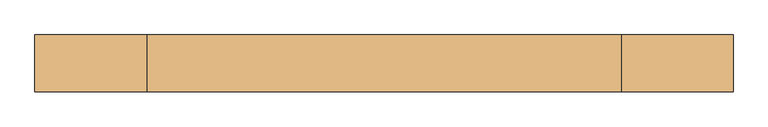
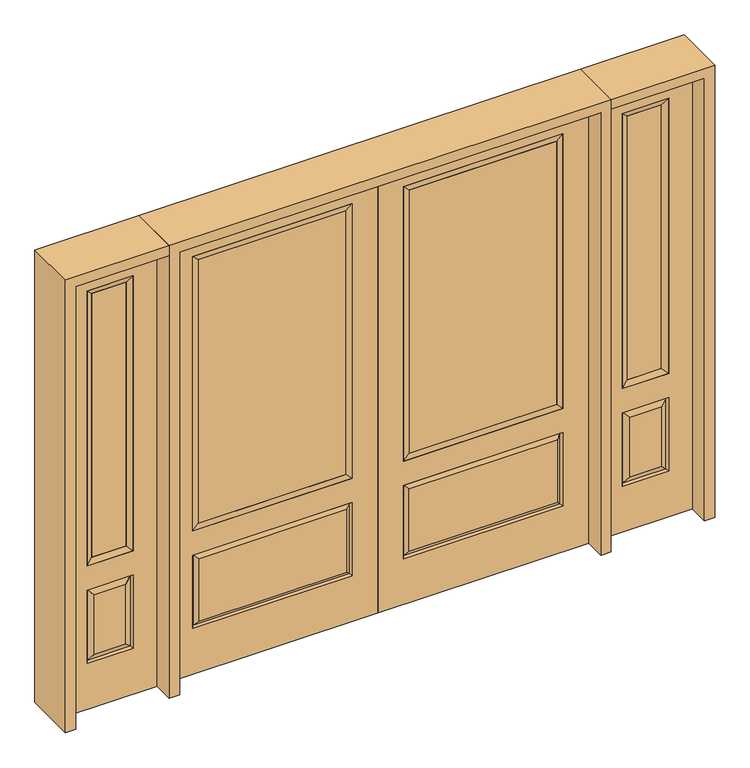
"""IFC4 building model written with IfcOpenShell, lengths in millimetres: door geometry."""

from ifc_helpers import new_model, si_unit, frame, origin, place, context, project, spatial, polyline, outline, extrude, faceted_brep, source, transform, mapped, element, save


def door_95db5420(model_context):
    return source(origin(), model_context, "Body", "SolidModel", [
        faceted_brep([(796.1661499, -12.7912373, 216.6588501), (778.66875, -22.225, 234.15625), (135.73125, -22.225, 234.15625), (118.2338501, -12.7912373, 216.6588501), (111.125, -22.225, 209.55), (803.275, -22.225, 209.55), (803.275, -22.225, 546.1), (796.1661499, -12.7912373, 538.9911499), (0.0, -22.225, 2032.0), (0.0, -22.225, 0.0), (914.4, -22.225, 0.0), (914.4, -22.225, 2032.0), (111.125, -22.225, 546.1), (111.125, -22.225, 1917.7), (803.275, -22.225, 1917.7), (803.275, -22.225, 657.098), (111.125, -22.225, 657.098), (778.66875, -22.225, 521.49375), (135.73125, -22.225, 521.49375), (118.2338501, -12.7912373, 538.9911499), (914.4, 22.225, 0.0), (914.4, 22.225, 2032.0), (0.0, 22.225, 0.0), (0.0, 22.225, 2032.0), (111.125, 22.225, 657.098), (111.125, 22.225, 1917.7), (803.275, 22.225, 657.098), (803.275, 22.225, 1917.7), (135.73125, 22.225, 234.15625), (135.73125, 22.225, 521.49375), (778.66875, 22.225, 521.49375), (778.66875, 22.225, 234.15625), (803.275, 22.225, 209.55), (803.275, 22.225, 546.1), (111.125, 22.225, 546.1), (111.125, 22.225, 209.55), (118.2338501, 12.7912373, 216.6588501), (796.1661499, 12.7912373, 216.6588501), (118.2338501, 12.7912373, 538.9911499), (796.1661499, 12.7912373, 538.9911499)], [[[0, 1, 2, 3]], [[3, 4, 5, 0]], [[5, 6, 7, 0]], [[8, 9, 10, 11], [4, 12, 6, 5], [13, 14, 15, 16]], [[1, 17, 18, 2]], [[3, 19, 12, 4]], [[2, 18, 19, 3]], [[0, 7, 17, 1]], [[6, 12, 19, 7]], [[7, 19, 18, 17]], [[10, 20, 21, 11]], [[9, 22, 20, 10]], [[8, 23, 22, 9]], [[16, 24, 25, 13]], [[15, 26, 24, 16]], [[14, 27, 26, 15]], [[28, 29, 30, 31]], [[23, 21, 20, 22], [25, 24, 26, 27], [32, 33, 34, 35]], [[32, 35, 36, 37]], [[35, 34, 38, 36]], [[39, 38, 34, 33]], [[37, 39, 33, 32]], [[36, 28, 31, 37]], [[31, 30, 39, 37]], [[30, 29, 38, 39]], [[36, 38, 29, 28]], [[11, 21, 23, 8]], [[13, 25, 27, 14]]]),
        faceted_brep([(803.275, -22.225, 1917.7), (803.275, -22.225, 657.098), (803.275, 22.225, 657.098), (803.275, 22.225, 1917.7), (111.125, -22.225, 657.098), (111.125, 22.225, 657.098), (136.525, 5.08, 682.498), (777.875, 5.08, 682.498), (111.125, -22.225, 1917.7), (111.125, 22.225, 1917.7), (777.875, -20.32, 682.498), (136.525, -20.32, 682.498), (777.875, -20.32, 1892.3), (136.525, -20.32, 1892.3), (777.875, 5.08, 1892.3), (136.525, 5.08, 1892.3)], [[[0, 1, 2, 3]], [[1, 4, 5, 2]], [[2, 5, 6, 7]], [[4, 8, 9, 5]], [[10, 11, 4, 1]], [[12, 10, 1, 0]], [[11, 13, 8, 4]], [[7, 6, 11, 10]], [[14, 7, 10, 12]], [[6, 15, 13, 11]], [[3, 2, 7, 14]], [[5, 9, 15, 6]], [[8, 0, 3, 9]], [[13, 12, 0, 8]], [[15, 14, 12, 13]], [[9, 3, 14, 15]]]),
        extrude(outline(polyline([(136.525, -20.32), (136.525, 5.08), (777.875, 5.08), (777.875, -20.32), (136.525, -20.32)])), frame((0.0, 0.0, 682.498), z_axis=(0.0, 0.0, 1.0), x_axis=(1.0, 0.0, 0.0)), (0.0, 0.0, 1.0), 1209.802),
        faceted_brep([(958.85, -22.225, 0.0), (1365.25, -22.225, 0.0), (1365.25, -22.225, 2032.0), (958.85, -22.225, 2032.0), (1262.38, -22.225, 1919.224), (1262.38, -22.225, 657.098), (1061.72, -22.225, 657.098), (1061.72, -22.225, 1919.224), (1262.38, -22.225, 209.55), (1061.72, -22.225, 209.55), (1061.72, -22.225, 546.1), (1262.38, -22.225, 546.1), (1093.4351001, -22.225, 241.2651001), (1230.6648999, -22.225, 241.2651001), (1230.6648999, -22.225, 514.3848999), (1093.4351001, -22.225, 514.3848999), (958.85, 22.225, 0.0), (958.85, 22.225, 2032.0), (1365.25, 22.225, 2032.0), (1365.25, 22.225, 0.0), (1262.38, 22.225, 1919.224), (1061.72, 22.225, 1919.224), (1061.72, 22.225, 657.098), (1262.38, 22.225, 657.098), (1061.72, 22.225, 209.55), (1262.38, 22.225, 209.55), (1262.38, 22.225, 546.1), (1061.72, 22.225, 546.1), (1230.6648999, 22.225, 241.2651001), (1093.4351001, 22.225, 241.2651001), (1093.4351001, 22.225, 514.3848999), (1230.6648999, 22.225, 514.3848999), (1255.2711499, 12.7912373, 216.6588501), (1068.8288501, 12.7912373, 216.6588501), (1068.8288501, 12.7912373, 538.9911499), (1255.2711499, 12.7912373, 538.9911499), (1068.8288501, -12.7912373, 216.6588501), (1255.2711499, -12.7912373, 216.6588501), (1068.8288501, -12.7912373, 538.9911499), (1255.2711499, -12.7912373, 538.9911499)], [[[0, 1, 2, 3], [4, 5, 6, 7], [8, 9, 10, 11]], [[12, 13, 14, 15]], [[16, 17, 18, 19], [20, 21, 22, 23], [24, 25, 26, 27]], [[28, 29, 30, 31]], [[1, 0, 16, 19]], [[2, 1, 19, 18]], [[3, 2, 18, 17]], [[0, 3, 17, 16]], [[5, 4, 20, 23]], [[6, 5, 23, 22]], [[7, 6, 22, 21]], [[4, 7, 21, 20]], [[32, 33, 29, 28]], [[33, 32, 25, 24]], [[29, 33, 34, 30]], [[33, 24, 27, 34]], [[30, 34, 35, 31]], [[34, 27, 26, 35]], [[32, 28, 31, 35]], [[25, 32, 35, 26]], [[12, 36, 37, 13]], [[37, 36, 9, 8]], [[36, 12, 15, 38]], [[9, 36, 38, 10]], [[38, 15, 14, 39]], [[10, 38, 39, 11]], [[13, 37, 39, 14]], [[37, 8, 11, 39]]]),
        faceted_brep([(1061.72, 22.225, 1919.224), (1061.72, -22.225, 1919.224), (1262.38, -22.225, 1919.224), (1262.38, 22.225, 1919.224), (1087.12, 12.7, 1893.824), (1236.98, 12.7, 1893.824), (1087.12, -12.7, 1893.824), (1236.98, -12.7, 1893.824), (1262.38, -22.225, 657.098), (1262.38, 22.225, 657.098), (1236.98, 12.7, 682.498), (1236.98, -12.7, 682.498), (1061.72, -22.225, 657.098), (1061.72, 22.225, 657.098), (1087.12, 12.7, 682.498), (1087.12, -12.7, 682.498)], [[[0, 1, 2, 3]], [[4, 0, 3, 5]], [[6, 4, 5, 7]], [[1, 6, 7, 2]], [[3, 2, 8, 9]], [[5, 3, 9, 10]], [[7, 5, 10, 11]], [[2, 7, 11, 8]], [[9, 8, 12, 13]], [[10, 9, 13, 14]], [[11, 10, 14, 15]], [[8, 11, 15, 12]], [[13, 12, 1, 0]], [[14, 13, 0, 4]], [[15, 14, 4, 6]], [[12, 15, 6, 1]]]),
        extrude(outline(polyline([(1236.98, -12.7), (1087.12, -12.7), (1087.12, 12.7), (1236.98, 12.7), (1236.98, -12.7)])), frame((0.0, 0.0, 682.498), z_axis=(0.0, 0.0, 1.0), x_axis=(1.0, 0.0, 0.0)), (0.0, 0.0, 1.0), 1211.326),
        faceted_brep([(-1365.25, -22.225, 0.0), (-958.85, -22.225, 0.0), (-958.85, -22.225, 2032.0), (-1365.25, -22.225, 2032.0), (-1061.72, -22.225, 1919.224), (-1061.72, -22.225, 657.098), (-1262.38, -22.225, 657.098), (-1262.38, -22.225, 1919.224), (-1061.72, -22.225, 209.55), (-1262.38, -22.225, 209.55), (-1262.38, -22.225, 546.1), (-1061.72, -22.225, 546.1), (-1230.6648999, -22.225, 241.2651001), (-1093.4351001, -22.225, 241.2651001), (-1093.4351001, -22.225, 514.3848999), (-1230.6648999, -22.225, 514.3848999), (-1365.25, 22.225, 0.0), (-1365.25, 22.225, 2032.0), (-958.85, 22.225, 2032.0), (-958.85, 22.225, 0.0), (-1061.72, 22.225, 1919.224), (-1262.38, 22.225, 1919.224), (-1262.38, 22.225, 657.098), (-1061.72, 22.225, 657.098), (-1262.38, 22.225, 209.55), (-1061.72, 22.225, 209.55), (-1061.72, 22.225, 546.1), (-1262.38, 22.225, 546.1), (-1093.4351001, 22.225, 241.2651001), (-1230.6648999, 22.225, 241.2651001), (-1230.6648999, 22.225, 514.3848999), (-1093.4351001, 22.225, 514.3848999), (-1068.8288501, 12.7912373, 216.6588501), (-1255.2711499, 12.7912373, 216.6588501), (-1255.2711499, 12.7912373, 538.9911499), (-1068.8288501, 12.7912373, 538.9911499), (-1255.2711499, -12.7912373, 216.6588501), (-1068.8288501, -12.7912373, 216.6588501), (-1255.2711499, -12.7912373, 538.9911499), (-1068.8288501, -12.7912373, 538.9911499)], [[[0, 1, 2, 3], [4, 5, 6, 7], [8, 9, 10, 11]], [[12, 13, 14, 15]], [[16, 17, 18, 19], [20, 21, 22, 23], [24, 25, 26, 27]], [[28, 29, 30, 31]], [[1, 0, 16, 19]], [[2, 1, 19, 18]], [[3, 2, 18, 17]], [[0, 3, 17, 16]], [[5, 4, 20, 23]], [[6, 5, 23, 22]], [[7, 6, 22, 21]], [[4, 7, 21, 20]], [[32, 33, 29, 28]], [[33, 32, 25, 24]], [[29, 33, 34, 30]], [[33, 24, 27, 34]], [[30, 34, 35, 31]], [[34, 27, 26, 35]], [[32, 28, 31, 35]], [[25, 32, 35, 26]], [[12, 36, 37, 13]], [[37, 36, 9, 8]], [[36, 12, 15, 38]], [[9, 36, 38, 10]], [[38, 15, 14, 39]], [[10, 38, 39, 11]], [[13, 37, 39, 14]], [[37, 8, 11, 39]]]),
        faceted_brep([(-1262.38, 22.225, 1919.224), (-1262.38, -22.225, 1919.224), (-1061.72, -22.225, 1919.224), (-1061.72, 22.225, 1919.224), (-1236.98, 12.7, 1893.824), (-1087.12, 12.7, 1893.824), (-1236.98, -12.7, 1893.824), (-1087.12, -12.7, 1893.824), (-1061.72, -22.225, 657.098), (-1061.72, 22.225, 657.098), (-1087.12, 12.7, 682.498), (-1087.12, -12.7, 682.498), (-1262.38, -22.225, 657.098), (-1262.38, 22.225, 657.098), (-1236.98, 12.7, 682.498), (-1236.98, -12.7, 682.498)], [[[0, 1, 2, 3]], [[4, 0, 3, 5]], [[6, 4, 5, 7]], [[1, 6, 7, 2]], [[3, 2, 8, 9]], [[5, 3, 9, 10]], [[7, 5, 10, 11]], [[2, 7, 11, 8]], [[9, 8, 12, 13]], [[10, 9, 13, 14]], [[11, 10, 14, 15]], [[8, 11, 15, 12]], [[13, 12, 1, 0]], [[14, 13, 0, 4]], [[15, 14, 4, 6]], [[12, 15, 6, 1]]]),
        extrude(outline(polyline([(-1087.12, -12.7), (-1236.98, -12.7), (-1236.98, 12.7), (-1087.12, 12.7), (-1087.12, -12.7)])), frame((0.0, 0.0, 682.498), z_axis=(0.0, 0.0, 1.0), x_axis=(1.0, 0.0, 0.0)), (0.0, 0.0, 1.0), 1211.326),
        faceted_brep([(-796.1661499, -12.7912373, 216.6588501), (-118.2338501, -12.7912373, 216.6588501), (-135.73125, -22.225, 234.15625), (-778.66875, -22.225, 234.15625), (-803.275, -22.225, 209.55), (-111.125, -22.225, 209.55), (-796.1661499, -12.7912373, 538.9911499), (-803.275, -22.225, 546.1), (-135.73125, -22.225, 521.49375), (-778.66875, -22.225, 521.49375), (0.0, -22.225, 2032.0), (-914.4, -22.225, 2032.0), (-914.4, -22.225, 0.0), (0.0, -22.225, 0.0), (-111.125, -22.225, 546.1), (-111.125, -22.225, 1917.7), (-111.125, -22.225, 657.098), (-803.275, -22.225, 657.098), (-803.275, -22.225, 1917.7), (-118.2338501, -12.7912373, 538.9911499), (-914.4, 22.225, 2032.0), (-914.4, 22.225, 0.0), (0.0, 22.225, 0.0), (0.0, 22.225, 2032.0), (-111.125, 22.225, 1917.7), (-111.125, 22.225, 657.098), (-803.275, 22.225, 657.098), (-803.275, 22.225, 1917.7), (-803.275, 22.225, 209.55), (-111.125, 22.225, 209.55), (-111.125, 22.225, 546.1), (-803.275, 22.225, 546.1), (-135.73125, 22.225, 234.15625), (-778.66875, 22.225, 234.15625), (-778.66875, 22.225, 521.49375), (-135.73125, 22.225, 521.49375), (-796.1661499, 12.7912373, 216.6588501), (-118.2338501, 12.7912373, 216.6588501), (-118.2338501, 12.7912373, 538.9911499), (-796.1661499, 12.7912373, 538.9911499)], [[[0, 1, 2, 3]], [[1, 0, 4, 5]], [[4, 0, 6, 7]], [[3, 2, 8, 9]], [[10, 11, 12, 13], [5, 4, 7, 14], [15, 16, 17, 18]], [[1, 5, 14, 19]], [[2, 1, 19, 8]], [[0, 3, 9, 6]], [[7, 6, 19, 14]], [[6, 9, 8, 19]], [[12, 11, 20, 21]], [[13, 12, 21, 22]], [[10, 13, 22, 23]], [[16, 15, 24, 25]], [[17, 16, 25, 26]], [[18, 17, 26, 27]], [[23, 22, 21, 20], [28, 29, 30, 31], [24, 27, 26, 25]], [[32, 33, 34, 35]], [[28, 36, 37, 29]], [[29, 37, 38, 30]], [[39, 31, 30, 38]], [[36, 28, 31, 39]], [[37, 36, 33, 32]], [[33, 36, 39, 34]], [[34, 39, 38, 35]], [[37, 32, 35, 38]], [[11, 10, 23, 20]], [[15, 18, 27, 24]]]),
        faceted_brep([(-803.275, -22.225, 1917.7), (-803.275, 22.225, 1917.7), (-803.275, 22.225, 657.098), (-803.275, -22.225, 657.098), (-111.125, 22.225, 657.098), (-111.125, -22.225, 657.098), (-777.875, 5.08, 682.498), (-136.525, 5.08, 682.498), (-111.125, 22.225, 1917.7), (-111.125, -22.225, 1917.7), (-777.875, -20.32, 682.498), (-136.525, -20.32, 682.498), (-777.875, -20.32, 1892.3), (-136.525, -20.32, 1892.3), (-777.875, 5.08, 1892.3), (-136.525, 5.08, 1892.3)], [[[0, 1, 2, 3]], [[3, 2, 4, 5]], [[2, 6, 7, 4]], [[5, 4, 8, 9]], [[10, 3, 5, 11]], [[12, 0, 3, 10]], [[11, 5, 9, 13]], [[6, 10, 11, 7]], [[14, 12, 10, 6]], [[7, 11, 13, 15]], [[1, 14, 6, 2]], [[4, 7, 15, 8]], [[9, 8, 1, 0]], [[13, 9, 0, 12]], [[15, 13, 12, 14]], [[8, 15, 14, 1]]]),
        extrude(outline(polyline([(-136.525, -20.32), (-777.875, -20.32), (-777.875, 5.08), (-136.525, 5.08), (-136.525, -20.32)])), frame((0.0, 0.0, 682.498), z_axis=(0.0, 0.0, 1.0), x_axis=(1.0, 0.0, 0.0)), (0.0, 0.0, 1.0), 1209.802),
        extrude(outline(polyline([(2032.0, -958.85), (2076.45, -958.85), (2076.45, -1409.7), (0.0, -1409.7), (0.0, -1365.25), (2032.0, -1365.25), (2032.0, -958.85)])), frame((0.0, -114.3, 0.0), z_axis=(0.0, 1.0, 0.0), x_axis=(0.0, 0.0, 1.0)), (0.0, 0.0, 1.0), 228.6),
        extrude(outline(polyline([(2076.45, -958.85), (0.0, -958.85), (0.0, -914.4), (2032.0, -914.4), (2032.0, 914.4), (0.0, 914.4), (0.0, 958.85), (2076.45, 958.85), (2076.45, -958.85)])), frame((0.0, -114.3, 0.0), z_axis=(0.0, 1.0, 0.0), x_axis=(0.0, 0.0, 1.0)), (0.0, 0.0, 1.0), 228.6),
        extrude(outline(polyline([(0.0, 1365.25), (0.0, 1409.7), (2076.45, 1409.7), (2076.45, 958.85), (2032.0, 958.85), (2032.0, 1365.25), (0.0, 1365.25)])), frame((0.0, -114.3, 0.0), z_axis=(0.0, 1.0, 0.0), x_axis=(0.0, 0.0, 1.0)), (0.0, 0.0, 1.0), 228.6),
    ])


if __name__ == "__main__":
    model = new_model("IFC4")
    model_context = context("Model", 3, world=origin())
    ifc_project = project(units=[si_unit("LENGTHUNIT", "METRE", prefix="MILLI")], contexts=[model_context])
    site = spatial("IfcSite", under=ifc_project)
    building = spatial("IfcBuilding", under=site)
    placement = place(None, origin())
    door_shape = door_95db5420(model_context)
    element("IfcDoor", 1, at=placement, inside=building, context=model_context, shape_type="MappedRepresentation", body=[
        mapped(door_shape, transform((0.0, 0.0, 0.0), x_axis=(1.0, 0.0, 0.0), y_axis=(0.0, 1.0, 0.0), z_axis=(0.0, 0.0, 1.0))),
    ])
    save(model, "model.ifc")
